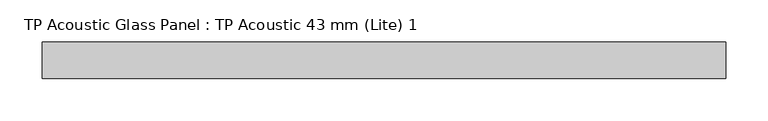
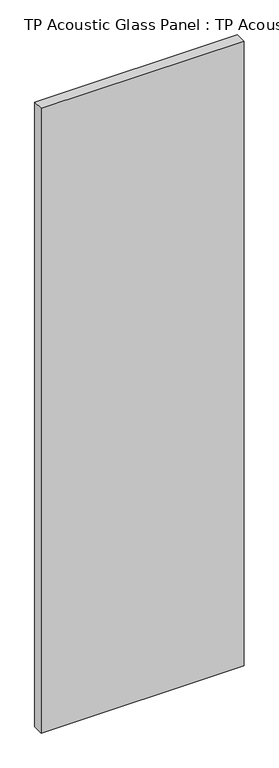
"""IFC4 building model written with IfcOpenShell, lengths in millimetres: plate geometry, TP Acoustic Glass Panel : TP Acoustic 43 mm (Lite) 1."""

from ifc_helpers import new_model, si_unit, origin, origin_with_axes, place, context, project, spatial, polyline, outline, extrude, source, transform, mapped, element, save


def tp_acoustic_glass_panel_tp_acoustic_43_mm_lite_1_5f8a8bfb(model_context):
    return source(origin(), model_context, "Body", "SweptSolid", [
        extrude(outline(polyline([(403.75, 21.5), (403.75, -21.5), (-403.75, -21.5), (-403.75, 21.5), (403.75, 21.5)])), origin_with_axes(), (0.0, 0.0, 1.0), 2628.0),
    ])


if __name__ == "__main__":
    model = new_model("IFC4")
    model_context = context("Model", 3, world=origin())
    ifc_project = project(units=[si_unit("LENGTHUNIT", "METRE", prefix="MILLI")], contexts=[model_context])
    site = spatial("IfcSite", under=ifc_project)
    building = spatial("IfcBuilding", under=site)
    placement = place(None, origin())
    tp_acoustic_glass_panel_tp_acoustic_43_mm_lite_1_shape = tp_acoustic_glass_panel_tp_acoustic_43_mm_lite_1_5f8a8bfb(model_context)
    element("IfcPlate", 1, ObjectType="TP Acoustic Glass Panel : TP Acoustic 43 mm (Lite) 1", at=placement, inside=building, context=model_context, shape_type="MappedRepresentation", body=[
        mapped(tp_acoustic_glass_panel_tp_acoustic_43_mm_lite_1_shape, transform((0.0, 0.0, 0.0), x_axis=(1.0, 0.0, 0.0), y_axis=(0.0, 1.0, 0.0), z_axis=(0.0, 0.0, 1.0))),
    ])
    save(model, "model.ifc")
